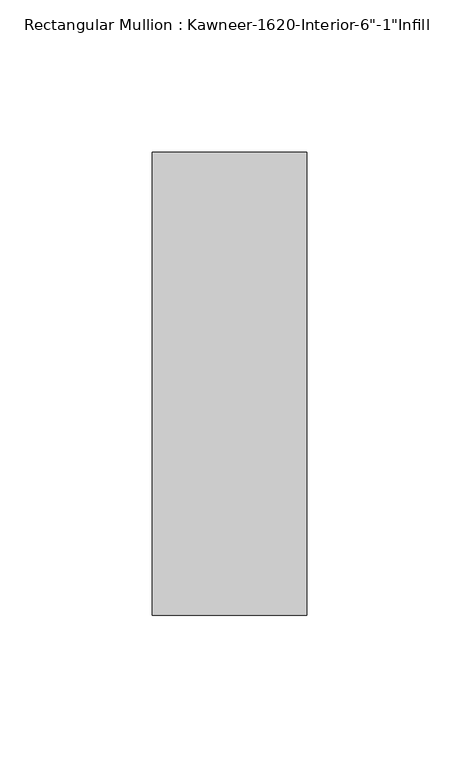
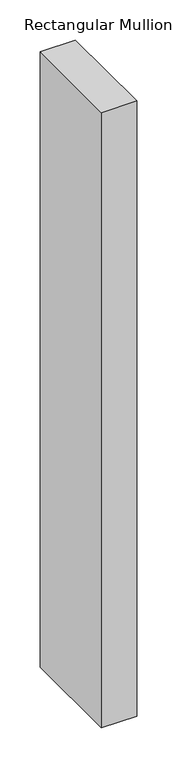
"""IFC4 building model written with IfcOpenShell, lengths in millimetres: member geometry."""

import ifcopenshell
import ifcopenshell.guid

model = None  # the IFC model being written
_history = None  # IfcOwnerHistory: only IFC2X3 demands one
_inside = {}  # id of a spatial element -> (the spatial element, [elements in it])
_under = {}  # id of a project, library or spatial element -> (it, [spatial elements below it])
_declared = {}  # id of a project -> (the project, [libraries it declares])
_typed = {}  # id of a type object -> (the type object, [elements of that type])
_made_of = {}  # id of a material, layer set ... -> (it, [elements and type objects made of it])


def new_model(schema):
    """Start an empty IFC model of exactly this schema.

    Asked for "IFC4X3", IfcOpenShell would pick the latest addendum, in which some entities
    have other attributes; the version numbers below select the first issue.
    IFC2X3 requires an IfcOwnerHistory on every rooted entity: one is made here for all.
    """
    global model, _history
    if schema == "IFC4X3":
        model = ifcopenshell.file(schema_version=(4, 3, 0, 0))
    else:
        model = ifcopenshell.file(schema=schema)
    _inside.clear()
    _under.clear()
    _declared.clear()
    _typed.clear()
    _made_of.clear()
    _history = None
    if model.schema == "IFC2X3":
        org = make("IfcOrganization", Name="unknown")
        user = make(
            "IfcPersonAndOrganization",
            ThePerson=make("IfcPerson", FamilyName="unknown"),
            TheOrganization=org,
        )
        app = make(
            "IfcApplication",
            ApplicationDeveloper=org,
            Version="unknown",
            ApplicationFullName="unknown",
            ApplicationIdentifier="unknown",
        )
        _history = make(
            "IfcOwnerHistory",
            OwningUser=user,
            OwningApplication=app,
            ChangeAction="ADDED",
            CreationDate=0,
        )
    return model


def make(cls, **values):
    """One entity of the class cls with the attributes given. An attribute that is None is left unset."""
    return model.create_entity(
        cls, **{name: value for name, value in values.items() if value is not None}
    )


def rooted(cls, **values):
    """An entity with a GlobalId (a new one), such as an element, a storey or a relation."""
    return make(cls, GlobalId=ifcopenshell.guid.new(), OwnerHistory=_history, **values)


def si_unit(unit_type, name, prefix=None):
    """IfcSIUnit, for example si_unit("LENGTHUNIT", "METRE", prefix="MILLI")."""
    return make("IfcSIUnit", UnitType=unit_type, Prefix=prefix, Name=name)


def assignment(units):
    """IfcUnitAssignment: the units of a project."""
    return None if units is None else make("IfcUnitAssignment", Units=units)


def point(xyz):
    """IfcCartesianPoint."""
    return None if xyz is None else make("IfcCartesianPoint", Coordinates=xyz)


def direction(xyz):
    """IfcDirection."""
    return None if xyz is None else make("IfcDirection", DirectionRatios=xyz)


def frame(location, z_axis=None, x_axis=None):
    """IfcAxis2Placement3D, a coordinate frame: its origin and axes. An axis left out is left unset."""
    return make(
        "IfcAxis2Placement3D",
        Location=point(location),
        Axis=direction(z_axis),
        RefDirection=direction(x_axis),
    )


def origin():
    """The frame at (0, 0, 0) with its axes left unset."""
    return frame((0.0, 0.0, 0.0))


def place(relative_to, where):
    """IfcLocalPlacement: puts the frame where relative to a parent placement (None: the world)."""
    return make(
        "IfcLocalPlacement", PlacementRelTo=relative_to, RelativePlacement=where
    )


def context(
    kind, dimensions, precision=None, world=None, true_north=None, identifier=None
):
    """IfcGeometricRepresentationContext, for example the 3D "Model" context."""
    return make(
        "IfcGeometricRepresentationContext",
        ContextIdentifier=identifier,
        ContextType=kind,
        CoordinateSpaceDimension=dimensions,
        Precision=precision,
        WorldCoordinateSystem=world,
        TrueNorth=true_north,
    )


def project(units=None, contexts=None):
    """IfcProject with its units and contexts."""
    return rooted(
        "IfcProject",
        Name="project",
        RepresentationContexts=contexts,
        UnitsInContext=assignment(units),
    )


def spatial(cls, under=None, at=None, **own):
    """A site, building, storey or space (cls), placed at a placement, below another one or the project."""
    s = rooted(cls, ObjectPlacement=at, **own)
    if under is not None:
        _under.setdefault(under.id(), (under, []))[1].append(s)
    return s


def polyline(points):
    """IfcPolyline through the points."""
    return make("IfcPolyline", Points=[point(p) for p in points])


def outline(outer, holes=None, kind="AREA"):
    """IfcArbitraryClosedProfileDef: a profile drawn as a closed curve; with holes, ...WithVoids."""
    if holes is None:
        return make("IfcArbitraryClosedProfileDef", ProfileType=kind, OuterCurve=outer)
    return make(
        "IfcArbitraryProfileDefWithVoids",
        ProfileType=kind,
        OuterCurve=outer,
        InnerCurves=holes,
    )


def extrude(swept, where, along, depth):
    """IfcExtrudedAreaSolid: the profile swept, set in the frame where, extruded along a direction by depth."""
    return make(
        "IfcExtrudedAreaSolid",
        SweptArea=swept,
        Position=where,
        ExtrudedDirection=direction(along),
        Depth=depth,
    )


def shape(context_of_items, identifier, shape_type, items):
    """IfcShapeRepresentation: the items that make up one representation, for example the "Body"."""
    return make(
        "IfcShapeRepresentation",
        ContextOfItems=context_of_items,
        RepresentationIdentifier=identifier,
        RepresentationType=shape_type,
        Items=items,
    )


def source(mapping_origin, context_of_items, identifier, shape_type, items):
    """IfcRepresentationMap: a shape defined once, which mapped items show again and again."""
    return make(
        "IfcRepresentationMap",
        MappingOrigin=mapping_origin,
        MappedRepresentation=shape(context_of_items, identifier, shape_type, items),
    )


def transform(
    local_origin,
    x_axis=None,
    y_axis=None,
    z_axis=None,
    scale=None,
    scale2=None,
    scale3=None,
    uniform=True,
):
    """IfcCartesianTransformationOperator3D, or its non-uniform kind. x_axis, y_axis, z_axis: its Axis1, 2, 3."""
    if uniform:
        return make(
            "IfcCartesianTransformationOperator3D",
            Axis1=direction(x_axis),
            Axis2=direction(y_axis),
            LocalOrigin=point(local_origin),
            Scale=scale,
            Axis3=direction(z_axis),
        )
    return make(
        "IfcCartesianTransformationOperator3DnonUniform",
        Axis1=direction(x_axis),
        Axis2=direction(y_axis),
        LocalOrigin=point(local_origin),
        Scale=scale,
        Axis3=direction(z_axis),
        Scale2=scale2,
        Scale3=scale3,
    )


def mapped(mapping_source, mapping_target):
    """IfcMappedItem: shows the shape of a source again, moved by a transform."""
    return make(
        "IfcMappedItem", MappingSource=mapping_source, MappingTarget=mapping_target
    )


def made_of(thing, what):
    """Note that an element or type object is made of a material, layer set ...; save() writes the relation."""
    if what is not None:
        _made_of.setdefault(what.id(), (what, []))[1].append(thing)
    return thing


def element(
    cls,
    number,
    at=None,
    inside=None,
    cuts=None,
    type_object=None,
    material=None,
    context=None,
    identifier="Body",
    shape_type=None,
    held_by="IfcProductDefinitionShape",
    body=None,
    shapes=None,
    **own,
):
    """One element of the class cls, such as IfcWall. Its Tag is "e" and its number.

    at: its placement. inside: the storey or other place that contains it. cuts: it is an
    opening in that element (IfcRelVoidsElement). A single representation is given by context,
    identifier, shape_type and body (its items); several are given by shapes. held_by: the class
    of the entity that holds the representations. save() writes the other relations.
    """
    e = rooted(cls, Tag="e%d" % number, ObjectPlacement=at, **own)
    if body is not None:
        shapes = [shape(context, identifier, shape_type, body)]
    if shapes is not None:
        e.Representation = make(held_by, Representations=shapes)
    if inside is not None:
        _inside.setdefault(inside.id(), (inside, []))[1].append(e)
    if cuts is not None:
        rooted(
            "IfcRelVoidsElement", RelatingBuildingElement=cuts, RelatedOpeningElement=e
        )
    if type_object is not None:
        _typed.setdefault(type_object.id(), (type_object, []))[1].append(e)
    return made_of(e, material)


def aggregate(whole, parts):
    """IfcRelAggregates: a whole, such as a stair, and the parts it consists of."""
    return rooted("IfcRelAggregates", RelatingObject=whole, RelatedObjects=parts)


def save(model, path):
    """Write the relations noted so far, then the file.

    IfcRelAggregates (storeys below a building ...), IfcRelContainedInSpatialStructure (elements
    in a storey), IfcRelDefinesByType, IfcRelAssociatesMaterial and IfcRelDeclares: one each for
    every whole, place, type object, material and project.
    """
    for whole, parts in _under.values():
        aggregate(whole, parts)
    for where, things in _inside.values():
        rooted(
            "IfcRelContainedInSpatialStructure",
            RelatedElements=things,
            RelatingStructure=where,
        )
    for kind, things in _typed.values():
        rooted("IfcRelDefinesByType", RelatedObjects=things, RelatingType=kind)
    for what, things in _made_of.values():
        rooted("IfcRelAssociatesMaterial", RelatedObjects=things, RelatingMaterial=what)
    for by, libraries in _declared.values():
        rooted("IfcRelDeclares", RelatingContext=by, RelatedDefinitions=libraries)
    model.write(path)


def member_d17a23e0(model_context):
    return source(origin(), model_context, "Body", "SweptSolid", [
        extrude(outline(polyline([(25.4, -114.3), (-25.4, -114.3), (-25.4, 38.1), (25.4, 38.1), (25.4, -114.3)])), frame((0.0, 0.0, -935.7204663), z_axis=(0.0, 0.0, 1.0), x_axis=(1.0, 0.0, 0.0)), (0.0, 0.0, 1.0), 935.7204663),
    ])


if __name__ == "__main__":
    model = new_model("IFC4")
    model_context = context("Model", 3, world=origin())
    ifc_project = project(units=[si_unit("LENGTHUNIT", "METRE", prefix="MILLI")], contexts=[model_context])
    site = spatial("IfcSite", under=ifc_project)
    building = spatial("IfcBuilding", under=site)
    placement = place(None, origin())
    member_shape = member_d17a23e0(model_context)
    element("IfcMember", 1, ObjectType="Rectangular Mullion : Kawneer-1620-Interior-6\"-1\"Infill", at=placement, inside=building, context=model_context, shape_type="MappedRepresentation", body=[
        mapped(member_shape, transform((0.0, 0.0, 0.0), x_axis=(1.0, 0.0, 0.0), y_axis=(0.0, 1.0, 0.0), z_axis=(0.0, 0.0, 1.0))),
    ])
    save(model, "model.ifc")
